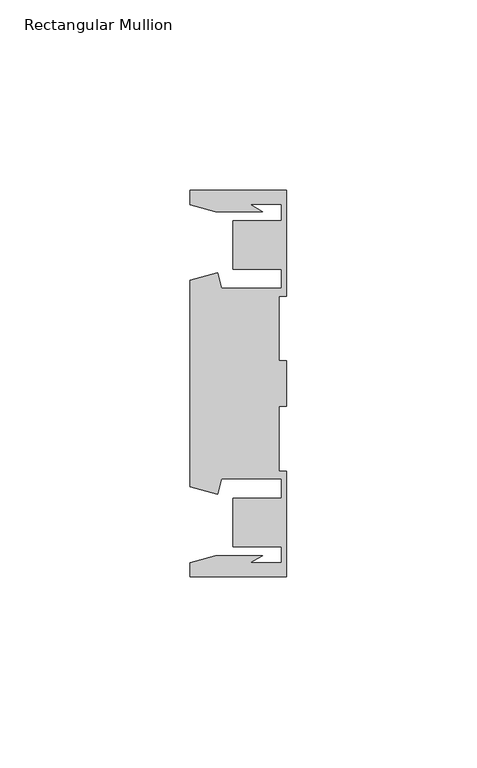
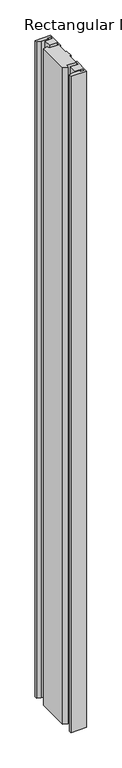
"""IFC4 building model written with IfcOpenShell, lengths in millimetres: member geometry, Rectangular Mullion."""

from ifc_helpers import new_model, si_unit, frame, origin, place, context, project, spatial, polyline, outline, extrude, source, transform, mapped, element, save


def rectangular_mullion_06375adf(model_context):
    return source(origin(), model_context, "Body", "SweptSolid", [
        extrude(outline(polyline([(-25.4, 50.7724622), (0.0, 50.7724622), (0.0, 22.9708072), (-2.0000011, 22.9708072), (-2.0000011, 5.9770032), (0.0, 5.9770032), (0.0, -6.0230032), (-2.0000011, -6.0230032), (-2.0000011, -23.0168072), (0.0, -23.0168072), (0.0, -50.8184622), (-25.4, -50.8184622), (-25.4, -47.0228463), (-18.7113002, -45.2306146), (-6.3834869, -45.2306146), (-9.7005662, -47.1457313), (-1.4138425, -47.1457313), (-1.4138425, -42.8358906), (-14.1138425, -42.8358906), (-14.1138425, -30.1358906), (-1.4138425, -30.1358906), (-1.4138425, -25.0350132), (-17.1094033, -25.0350132), (-18.2017212, -29.1115993), (-25.4, -27.1828263), (-25.4, 27.1368263), (-18.2017212, 29.0655993), (-17.1094033, 24.9890132), (-1.4138425, 24.9890132), (-1.4138425, 30.0898906), (-14.1138425, 30.0898906), (-14.1138425, 42.7898906), (-1.4138425, 42.7898906), (-1.4138425, 47.0997313), (-9.7005662, 47.0997313), (-6.3834869, 45.1846146), (-18.7113002, 45.1846146), (-25.4, 46.9768463), (-25.4, 50.7724622)])), frame((0.0, 0.0, -1133.0533231), z_axis=(0.0, 0.0, 1.0), x_axis=(1.0, 0.0, 0.0)), (0.0, 0.0, 1.0), 1133.0533231),
    ])


if __name__ == "__main__":
    model = new_model("IFC4")
    model_context = context("Model", 3, world=origin())
    ifc_project = project(units=[si_unit("LENGTHUNIT", "METRE", prefix="MILLI")], contexts=[model_context])
    site = spatial("IfcSite", under=ifc_project)
    building = spatial("IfcBuilding", under=site)
    placement = place(None, origin())
    rectangular_mullion_shape = rectangular_mullion_06375adf(model_context)
    element("IfcMember", 1, ObjectType="Rectangular Mullion", at=placement, inside=building, context=model_context, shape_type="MappedRepresentation", body=[
        mapped(rectangular_mullion_shape, transform((0.0, 0.0, 0.0), x_axis=(1.0, 0.0, 0.0), y_axis=(0.0, 1.0, 0.0), z_axis=(0.0, 0.0, 1.0))),
    ])
    save(model, "model.ifc")
